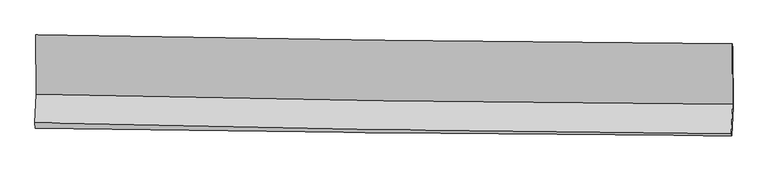
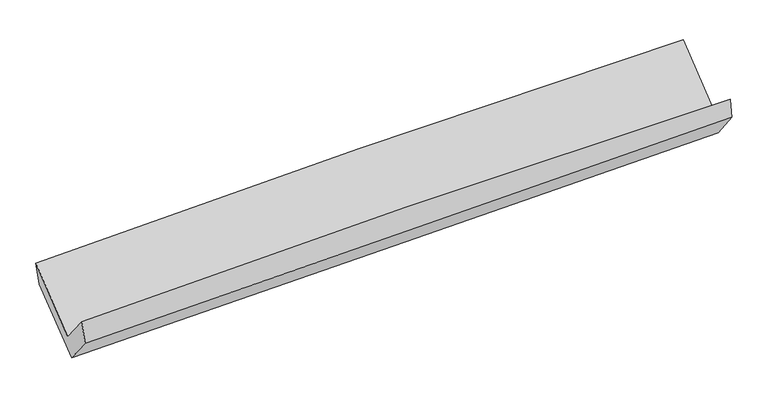
"""IFC4 building model written with IfcOpenShell, lengths in millimetres: proxy geometry."""

import ifcopenshell
import ifcopenshell.guid

model = None  # the IFC model being written
_history = None  # IfcOwnerHistory: only IFC2X3 demands one
_inside = {}  # id of a spatial element -> (the spatial element, [elements in it])
_under = {}  # id of a project, library or spatial element -> (it, [spatial elements below it])
_declared = {}  # id of a project -> (the project, [libraries it declares])
_typed = {}  # id of a type object -> (the type object, [elements of that type])
_made_of = {}  # id of a material, layer set ... -> (it, [elements and type objects made of it])


def new_model(schema):
    """Start an empty IFC model of exactly this schema.

    Asked for "IFC4X3", IfcOpenShell would pick the latest addendum, in which some entities
    have other attributes; the version numbers below select the first issue.
    IFC2X3 requires an IfcOwnerHistory on every rooted entity: one is made here for all.
    """
    global model, _history
    if schema == "IFC4X3":
        model = ifcopenshell.file(schema_version=(4, 3, 0, 0))
    else:
        model = ifcopenshell.file(schema=schema)
    _inside.clear()
    _under.clear()
    _declared.clear()
    _typed.clear()
    _made_of.clear()
    _history = None
    if model.schema == "IFC2X3":
        org = make("IfcOrganization", Name="unknown")
        user = make(
            "IfcPersonAndOrganization",
            ThePerson=make("IfcPerson", FamilyName="unknown"),
            TheOrganization=org,
        )
        app = make(
            "IfcApplication",
            ApplicationDeveloper=org,
            Version="unknown",
            ApplicationFullName="unknown",
            ApplicationIdentifier="unknown",
        )
        _history = make(
            "IfcOwnerHistory",
            OwningUser=user,
            OwningApplication=app,
            ChangeAction="ADDED",
            CreationDate=0,
        )
    return model


def make(cls, **values):
    """One entity of the class cls with the attributes given. An attribute that is None is left unset."""
    return model.create_entity(
        cls, **{name: value for name, value in values.items() if value is not None}
    )


def rooted(cls, **values):
    """An entity with a GlobalId (a new one), such as an element, a storey or a relation."""
    return make(cls, GlobalId=ifcopenshell.guid.new(), OwnerHistory=_history, **values)


def si_unit(unit_type, name, prefix=None):
    """IfcSIUnit, for example si_unit("LENGTHUNIT", "METRE", prefix="MILLI")."""
    return make("IfcSIUnit", UnitType=unit_type, Prefix=prefix, Name=name)


def assignment(units):
    """IfcUnitAssignment: the units of a project."""
    return None if units is None else make("IfcUnitAssignment", Units=units)


def point(xyz):
    """IfcCartesianPoint."""
    return None if xyz is None else make("IfcCartesianPoint", Coordinates=xyz)


def direction(xyz):
    """IfcDirection."""
    return None if xyz is None else make("IfcDirection", DirectionRatios=xyz)


def frame(location, z_axis=None, x_axis=None):
    """IfcAxis2Placement3D, a coordinate frame: its origin and axes. An axis left out is left unset."""
    return make(
        "IfcAxis2Placement3D",
        Location=point(location),
        Axis=direction(z_axis),
        RefDirection=direction(x_axis),
    )


def origin():
    """The frame at (0, 0, 0) with its axes left unset."""
    return frame((0.0, 0.0, 0.0))


def place(relative_to, where):
    """IfcLocalPlacement: puts the frame where relative to a parent placement (None: the world)."""
    return make(
        "IfcLocalPlacement", PlacementRelTo=relative_to, RelativePlacement=where
    )


def context(
    kind, dimensions, precision=None, world=None, true_north=None, identifier=None
):
    """IfcGeometricRepresentationContext, for example the 3D "Model" context."""
    return make(
        "IfcGeometricRepresentationContext",
        ContextIdentifier=identifier,
        ContextType=kind,
        CoordinateSpaceDimension=dimensions,
        Precision=precision,
        WorldCoordinateSystem=world,
        TrueNorth=true_north,
    )


def project(units=None, contexts=None):
    """IfcProject with its units and contexts."""
    return rooted(
        "IfcProject",
        Name="project",
        RepresentationContexts=contexts,
        UnitsInContext=assignment(units),
    )


def spatial(cls, under=None, at=None, **own):
    """A site, building, storey or space (cls), placed at a placement, below another one or the project."""
    s = rooted(cls, ObjectPlacement=at, **own)
    if under is not None:
        _under.setdefault(under.id(), (under, []))[1].append(s)
    return s


def shape(context_of_items, identifier, shape_type, items):
    """IfcShapeRepresentation: the items that make up one representation, for example the "Body"."""
    return make(
        "IfcShapeRepresentation",
        ContextOfItems=context_of_items,
        RepresentationIdentifier=identifier,
        RepresentationType=shape_type,
        Items=items,
    )


def source(mapping_origin, context_of_items, identifier, shape_type, items):
    """IfcRepresentationMap: a shape defined once, which mapped items show again and again."""
    return make(
        "IfcRepresentationMap",
        MappingOrigin=mapping_origin,
        MappedRepresentation=shape(context_of_items, identifier, shape_type, items),
    )


def transform(
    local_origin,
    x_axis=None,
    y_axis=None,
    z_axis=None,
    scale=None,
    scale2=None,
    scale3=None,
    uniform=True,
):
    """IfcCartesianTransformationOperator3D, or its non-uniform kind. x_axis, y_axis, z_axis: its Axis1, 2, 3."""
    if uniform:
        return make(
            "IfcCartesianTransformationOperator3D",
            Axis1=direction(x_axis),
            Axis2=direction(y_axis),
            LocalOrigin=point(local_origin),
            Scale=scale,
            Axis3=direction(z_axis),
        )
    return make(
        "IfcCartesianTransformationOperator3DnonUniform",
        Axis1=direction(x_axis),
        Axis2=direction(y_axis),
        LocalOrigin=point(local_origin),
        Scale=scale,
        Axis3=direction(z_axis),
        Scale2=scale2,
        Scale3=scale3,
    )


def mapped(mapping_source, mapping_target):
    """IfcMappedItem: shows the shape of a source again, moved by a transform."""
    return make(
        "IfcMappedItem", MappingSource=mapping_source, MappingTarget=mapping_target
    )


def made_of(thing, what):
    """Note that an element or type object is made of a material, layer set ...; save() writes the relation."""
    if what is not None:
        _made_of.setdefault(what.id(), (what, []))[1].append(thing)
    return thing


def element(
    cls,
    number,
    at=None,
    inside=None,
    cuts=None,
    type_object=None,
    material=None,
    context=None,
    identifier="Body",
    shape_type=None,
    held_by="IfcProductDefinitionShape",
    body=None,
    shapes=None,
    **own,
):
    """One element of the class cls, such as IfcWall. Its Tag is "e" and its number.

    at: its placement. inside: the storey or other place that contains it. cuts: it is an
    opening in that element (IfcRelVoidsElement). A single representation is given by context,
    identifier, shape_type and body (its items); several are given by shapes. held_by: the class
    of the entity that holds the representations. save() writes the other relations.
    """
    e = rooted(cls, Tag="e%d" % number, ObjectPlacement=at, **own)
    if body is not None:
        shapes = [shape(context, identifier, shape_type, body)]
    if shapes is not None:
        e.Representation = make(held_by, Representations=shapes)
    if inside is not None:
        _inside.setdefault(inside.id(), (inside, []))[1].append(e)
    if cuts is not None:
        rooted(
            "IfcRelVoidsElement", RelatingBuildingElement=cuts, RelatedOpeningElement=e
        )
    if type_object is not None:
        _typed.setdefault(type_object.id(), (type_object, []))[1].append(e)
    return made_of(e, material)


def aggregate(whole, parts):
    """IfcRelAggregates: a whole, such as a stair, and the parts it consists of."""
    return rooted("IfcRelAggregates", RelatingObject=whole, RelatedObjects=parts)


def save(model, path):
    """Write the relations noted so far, then the file.

    IfcRelAggregates (storeys below a building ...), IfcRelContainedInSpatialStructure (elements
    in a storey), IfcRelDefinesByType, IfcRelAssociatesMaterial and IfcRelDeclares: one each for
    every whole, place, type object, material and project.
    """
    for whole, parts in _under.values():
        aggregate(whole, parts)
    for where, things in _inside.values():
        rooted(
            "IfcRelContainedInSpatialStructure",
            RelatedElements=things,
            RelatingStructure=where,
        )
    for kind, things in _typed.values():
        rooted("IfcRelDefinesByType", RelatedObjects=things, RelatingType=kind)
    for what, things in _made_of.values():
        rooted("IfcRelAssociatesMaterial", RelatedObjects=things, RelatingMaterial=what)
    for by, libraries in _declared.values():
        rooted("IfcRelDeclares", RelatingContext=by, RelatedDefinitions=libraries)
    model.write(path)


def plane_surface(at):
    """IfcPlane: the flat surface through the origin of the frame at, square to its z axis."""
    return make("IfcPlane", Position=at)


def spline_curve(degree, points, multiplicities, knots, weights=None):
    """IfcBSplineCurveWithKnots; with weights, IfcRationalBSplineCurveWithKnots."""
    own = dict(
        Degree=degree,
        ControlPointsList=[point(p) for p in points],
        CurveForm="UNSPECIFIED",
        ClosedCurve=False,
        SelfIntersect=False,
        KnotMultiplicities=multiplicities,
        Knots=knots,
        KnotSpec="UNSPECIFIED",
    )
    if weights is None:
        return make("IfcBSplineCurveWithKnots", **own)
    return make("IfcRationalBSplineCurveWithKnots", WeightsData=weights, **own)


def spline_surface(u_degree, v_degree, points, u_multiplicities, v_multiplicities, u_knots, v_knots, weights=None):
    """IfcBSplineSurfaceWithKnots; with weights, IfcRationalBSplineSurfaceWithKnots. points: one row for each step in u."""
    own = dict(
        UDegree=u_degree,
        VDegree=v_degree,
        ControlPointsList=[[point(p) for p in row] for row in points],
        SurfaceForm="UNSPECIFIED",
        UClosed=False,
        VClosed=False,
        SelfIntersect=False,
        UMultiplicities=u_multiplicities,
        VMultiplicities=v_multiplicities,
        UKnots=u_knots,
        VKnots=v_knots,
        KnotSpec="UNSPECIFIED",
    )
    if weights is None:
        return make("IfcBSplineSurfaceWithKnots", **own)
    return make("IfcRationalBSplineSurfaceWithKnots", WeightsData=weights, **own)


def advanced_brep(points, edges, surfaces, faces):
    """IfcAdvancedBrep: a solid bounded by faces that lie on surfaces and meet in shared edges.

    An edge is (start, end): straight between two places in points (the first is 0);
    or (start, end, curve); or (start, end, curve, False) where it runs against its curve.
    A face is (place in surfaces, loops), or (place, loops, False) where it looks against
    its surface's normal. A loop lists edges by number (the first is 1), with a minus sign
    where the edge is run from its end to its start. The first loop is the outer one.
    """
    corners = [point(p) for p in points]
    vertices = [make("IfcVertexPoint", VertexGeometry=c) for c in corners]
    made = []
    for start, end, *more in edges:
        made.append(
            make(
                "IfcEdgeCurve",
                EdgeStart=vertices[start],
                EdgeEnd=vertices[end],
                EdgeGeometry=more[0] if more else make("IfcPolyline", Points=[corners[start], corners[end]]),
                SameSense=more[1] if len(more) > 1 else True,
            )
        )
    hull = []
    for where, loops, *sense in faces:
        bounds = []
        for j, loop in enumerate(loops):
            ring = [make("IfcOrientedEdge", EdgeElement=made[abs(k) - 1], Orientation=k > 0) for k in loop]
            bounds.append(
                make(
                    "IfcFaceOuterBound" if j == 0 else "IfcFaceBound",
                    Bound=make("IfcEdgeLoop", EdgeList=ring),
                    Orientation=True,
                )
            )
        hull.append(make("IfcAdvancedFace", Bounds=bounds, FaceSurface=surfaces[where], SameSense=sense[0] if sense else True))
    return make("IfcAdvancedBrep", Outer=make("IfcClosedShell", CfsFaces=hull))


def generic_models_e8cbcd6a(model_context):
    return source(origin(), model_context, "Body", "AdvancedBrep", [
        advanced_brep(
        [(-3010.0541283, -1162.8389636, 2150.6119512), (-3006.9722841, -1676.1815511, 1730.1907033), (3005.5427072, -1760.0085032, 1871.4765462), (3002.3172201, -1238.5924187, 2298.5064656), (-3017.8957627, -1922.7385387, 2035.1915274), (2994.2743004, -2014.3509663, 2186.108314), (-3013.9468715, -1967.3311965, 1848.2239633), (2998.2618208, -2032.1066869, 2013.6624825), (-3003.482833, -1731.1443647, 1556.0514354), (3009.0547227, -1788.4969827, 1712.3075654), (-3006.4443536, -1215.1044662, 1973.1024159), (3006.0385928, -1279.0592411, 2124.0195294)],
        [
            (0, 1),
            (1, 2, spline_curve(3, [(-3006.9722841, -1676.1815511, 1730.1907033), (-2009.064440123, -1697.84474886, 1778.393575121), (-1010.839642506, -1715.650917864, 1814.270935571), (993.327508559, -1743.648152843, 1861.541711094), (1999.274374763, -1753.78430118, 1872.759631393), (3005.5427072, -1760.0085032, 1871.4765462)], [4, 2, 4], [0.0, 9.832749955726372, 19.735253375337496])),
            (2, 3),
            (3, 0, spline_curve(3, [(3002.3172201, -1238.5924187, 2298.5064656), (1995.710368603, -1232.854559981, 2299.378962963), (989.606896152, -1223.638279106, 2287.401851412), (-1014.509820158, -1198.338296072, 2237.923291778), (-2012.530130299, -1182.303425072, 2200.602231452), (-3010.0541283, -1162.8389636, 2150.6119512)], [4, 2, 4], [0.0, 9.902503419611124, 19.735253375337496])),
            (1, 4),
            (4, 5, spline_curve(3, [(-3017.8957627, -1922.7385387, 2035.1915274), (-2020.14616355, -1947.973526778, 2087.812846072), (-1022.029309239, -1968.216114389, 2126.704153745), (982.022149583, -1998.824673339, 2177.20524133), (1987.961983009, -2009.119561927, 2188.619529232), (2994.2743004, -2014.3509663, 2186.108314)], [4, 2, 4], [0.0, 9.832939089284293, 19.735632984165562])),
            (5, 2),
            (4, 6),
            (6, 7, spline_curve(3, [(-3013.9468715, -1967.3311965, 1848.2239633), (-2015.370477147, -1982.404910026, 1876.444010183), (-1016.835567815, -1995.328272814, 1904.293164716), (987.234587239, -2016.950720463, 1959.444618492), (1992.769241815, -2025.61918782, 1986.741637375), (2998.2618208, -2032.1066869, 2013.6624825)], [4, 2, 4], [0.0, 9.832246275240236, 19.73424244125915])),
            (7, 5),
            (6, 8),
            (8, 9, spline_curve(3, [(-3003.482833, -1731.1443647, 1556.0514354), (-2004.904291095, -1746.169606413, 1584.211520619), (-1006.341092249, -1758.454439884, 1611.270788957), (997.838311408, -1777.610998205, 1663.371839121), (2003.454297794, -1784.443703835, 1688.397947793), (3009.0547227, -1788.4969827, 1712.3075654)], [4, 2, 4], [0.0, 9.832018202895824, 19.733784678626606])),
            (9, 7),
            (8, 10),
            (10, 11, spline_curve(3, [(-3006.4443536, -1215.1044662, 1973.1024159), (-2007.988253671, -1218.89416573, 1997.517553779), (-1009.491010828, -1226.087669463, 2022.255951483), (994.669385205, -1247.357463573, 2072.55705335), (2000.333124805, -1261.482217871, 2098.124360225), (3006.0385928, -1279.0592411, 2124.0195294)], [4, 2, 4], [0.0, 9.831888691867642, 19.733524737819852])),
            (11, 9),
            (10, 0),
            (3, 11),
        ],
        [
            spline_surface(3, 3, [[(-3010.0541283, -1162.8389636, 2150.6119512), (-2012.530130417, -1182.303424963, 2200.602231612), (-1014.509820081, -1198.33829595, 2237.923291709), (989.606896074, -1223.638279229, 2287.401851482), (1995.710368524, -1232.854559935, 2299.378962852), (3002.3172201, -1238.5924187, 2298.5064656)], [(-3009.026846902, -1333.953159434, 2010.471535237), (-2011.374900288, -1354.150532965, 2059.866012768), (-1013.286427547, -1370.775836565, 2096.705839674), (990.847100187, -1396.974903734, 2145.448471341), (1996.898370555, -1406.497807048, 2157.172519073), (3003.392382467, -1412.397780197, 2156.163159154)], [(-3007.999565498, -1505.067355266, 1870.331119263), (-2010.219670154, -1525.997640966, 1919.129793912), (-1012.063034954, -1543.213377265, 1955.488387641), (992.087304359, -1570.311528323, 2003.495091201), (1998.086372585, -1580.141054169, 2014.966075232), (3004.467544833, -1586.203141703, 2013.819852646)], [(-3006.9722841, -1676.1815511, 1730.1907033), (-2009.064440025, -1697.844748969, 1778.393575067), (-1010.83964242, -1715.65091788, 1814.270935606), (993.327508472, -1743.648152828, 1861.541711059), (1999.274374616, -1753.784301282, 1872.759631453), (3005.5427072, -1760.0085032, 1871.4765462)]], [4, 4], [4, 2, 4], [0.0, 2.1995273021180637], [0.0, 9.832749955726372, 19.735253375337496]),
            spline_surface(3, 3, [[(-3006.9722841, -1676.1815511, 1730.1907033), (-2009.064440025, -1697.844748969, 1778.393575067), (-1010.83964242, -1715.65091788, 1814.270935606), (993.327508472, -1743.648152828, 1861.541711059), (1999.274374616, -1753.784301282, 1872.759631453), (3005.5427072, -1760.0085032, 1871.4765462)], [(-3010.613443616, -1758.367213629, 1831.857644671), (-2012.758347823, -1781.221008211, 1881.533332043), (-1014.569531308, -1799.8393167, 1918.41534162), (989.559055485, -1828.706993071, 1966.76288782), (1995.503577356, -1838.896054781, 1978.04626402), (3001.786571596, -1844.789324228, 1976.353802106)], [(-3014.254603184, -1840.552876171, 1933.524586029), (-2016.452255674, -1864.597267467, 1984.673089006), (-1018.299420238, -1884.027715435, 2022.559747677), (985.790602456, -1913.76583323, 2071.984064623), (1991.732780109, -1924.007808296, 2083.33289667), (2998.030436004, -1929.570145272, 2081.231058094)], [(-3017.8957627, -1922.7385387, 2035.1915274), (-2020.146163471, -1947.973526709, 2087.812845982), (-1022.029309126, -1968.216114255, 2126.704153691), (982.022149468, -1998.824673474, 2177.205241384), (1987.961982849, -2009.119561796, 2188.619529238), (2994.2743004, -2014.3509663, 2186.108314)]], [4, 4], [4, 2, 4], [0.0, 1.3254557140110967], [0.0, 9.832939089284293, 19.735632984165562]),
            spline_surface(3, 3, [[(-3017.8957627, -1922.7385387, 2035.1915274), (-2020.146163471, -1947.973526709, 2087.812845982), (-1022.029309126, -1968.216114255, 2126.704153691), (982.022149468, -1998.824673474, 2177.205241384), (1987.961982849, -2009.119561796, 2188.619529238), (2994.2743004, -2014.3509663, 2186.108314)], [(-3016.579465629, -1937.602757979, 1972.869006036), (-2018.554268023, -1959.450654528, 2017.356567408), (-1020.29806198, -1977.253500455, 2052.567157323), (983.759628674, -2004.866689103, 2104.6183671), (1989.564402495, -2014.619437134, 2121.326898596), (2995.603473883, -2020.269539852, 2128.626370179)], [(-3015.263168571, -1952.466977221, 1910.546484664), (-2016.962372588, -1970.927782309, 1946.900288827), (-1018.56681482, -1986.290886685, 1978.430160999), (985.497107894, -2010.908704762, 2032.031492861), (1991.166822092, -2020.119312416, 2054.034267917), (2996.932647317, -2026.188113348, 2071.144426321)], [(-3013.9468715, -1967.3311965, 1848.2239633), (-2015.370477139, -1982.404910128, 1876.444010253), (-1016.835567675, -1995.328272885, 1904.293164631), (987.234587099, -2016.950720391, 1959.444618578), (1992.769241738, -2025.619187754, 1986.741637276), (2998.2618208, -2032.1066869, 2013.6624825)]], [4, 4], [4, 2, 4], [0.0, 0.7260045090283019], [0.0, 9.832246275240236, 19.73424244125915]),
            spline_surface(3, 3, [[(-3013.9468715, -1967.3311965, 1848.2239633), (-2015.370477139, -1982.404910128, 1876.444010253), (-1016.835567675, -1995.328272885, 1904.293164631), (987.234587099, -2016.950720391, 1959.444618578), (1992.769241738, -2025.619187754, 1986.741637276), (2998.2618208, -2032.1066869, 2013.6624825)], [(-3010.458858695, -1888.602252576, 1750.833120666), (-2011.881748501, -1903.65980893, 1779.033180427), (-1013.33740922, -1916.370328567, 1806.619039379), (990.769161867, -1937.170812942, 1860.753692162), (1996.330927076, -1945.227359822, 1887.293740823), (3001.859454764, -1950.903452163, 1913.210843478)], [(-3006.970845805, -1809.873308624, 1653.442278034), (-2008.393019779, -1824.914707705, 1681.622350603), (-1009.839250733, -1837.412384305, 1708.944914065), (994.303736669, -1857.39090555, 1762.062765683), (1999.892612422, -1864.835531902, 1787.845844337), (3005.457088736, -1869.700217437, 1812.759204422)], [(-3003.482833, -1731.1443647, 1556.0514354), (-2004.904291141, -1746.169606507, 1584.211520778), (-1006.341092278, -1758.454439987, 1611.270788813), (997.838311437, -1777.610998102, 1663.371839267), (2003.45429776, -1784.44370397, 1688.397947885), (3009.0547227, -1788.4969827, 1712.3075654)]], [4, 4], [4, 2, 4], [0.0, 1.24315233271704], [0.0, 9.832018202895824, 19.733784678626606]),
            spline_surface(3, 3, [[(-3003.482833, -1731.1443647, 1556.0514354), (-2004.904291141, -1746.169606507, 1584.211520778), (-1006.341092278, -1758.454439987, 1611.270788813), (997.838311437, -1777.610998102, 1663.371839267), (2003.45429776, -1784.44370397, 1688.397947885), (3009.0547227, -1788.4969827, 1712.3075654)], [(-3004.470006512, -1559.131065193, 1695.068428898), (-2005.93227867, -1570.411126223, 1721.980198476), (-1007.391065165, -1580.998849865, 1748.265843046), (996.782002752, -1600.859819899, 1799.766910621), (2002.413906724, -1610.123208596, 1824.973418644), (3008.049346058, -1618.684402167, 1849.544886716)], [(-3005.457180088, -1387.117765707, 1834.085422402), (-2006.960266261, -1394.65264596, 1859.748876179), (-1008.441038084, -1403.543259704, 1885.260897274), (995.725694035, -1424.108641657, 1936.161981972), (2001.373515713, -1435.802713221, 1961.548889455), (3007.043969442, -1448.871821633, 1986.782208084)], [(-3006.4443536, -1215.1044662, 1973.1024159), (-2007.988253789, -1218.894165675, 1997.517553878), (-1009.491010971, -1226.087669582, 2022.255951507), (994.66938535, -1247.357463454, 2072.557053326), (2000.333124677, -1261.482217847, 2098.124360215), (3006.0385928, -1279.0592411, 2124.0195294)]], [4, 4], [4, 2, 4], [0.0, 2.201971485116434], [0.0, 9.831888691867642, 19.733524737819852]),
            spline_surface(3, 3, [[(-3006.4443536, -1215.1044662, 1973.1024159), (-2007.988253789, -1218.894165675, 1997.517553878), (-1009.491010971, -1226.087669582, 2022.255951507), (994.66938535, -1247.357463454, 2072.557053326), (2000.333124677, -1261.482217847, 2098.124360215), (3006.0385928, -1279.0592411, 2124.0195294)], [(-3007.647611847, -1197.682631989, 2032.272260991), (-2009.502212678, -1206.697252094, 2065.212446447), (-1011.16394733, -1216.837878387, 2094.145064915), (992.981888935, -1239.451068728, 2144.171986052), (1998.792205959, -1251.939665202, 2165.209227761), (3004.798135233, -1265.570300293, 2182.181841467)], [(-3008.850870053, -1180.260797811, 2091.442106109), (-2011.016171528, -1194.500338544, 2132.907339043), (-1012.836883722, -1207.588087145, 2166.0341783), (991.294392488, -1231.544673955, 2215.786918756), (1997.251287242, -1242.397112579, 2232.294095305), (3003.557677667, -1252.081359507, 2240.344153533)], [(-3010.0541283, -1162.8389636, 2150.6119512), (-2012.530130417, -1182.303424963, 2200.602231612), (-1014.509820081, -1198.33829595, 2237.923291709), (989.606896074, -1223.638279229, 2287.401851482), (1995.710368524, -1232.854559935, 2299.378962852), (3002.3172201, -1238.5924187, 2298.5064656)]], [4, 4], [4, 2, 4], [0.0, 0.7114254173283522], [0.0, 9.831961048333431, 19.733669964047728]),
            plane_surface(frame((3002.5815607, -1685.4357998, 2034.3468172), z_axis=(0.9996017456539765, -0.01392030997615196, 0.02454740425566195), x_axis=(-0.004604683791711343, 0.7777515455388765, 0.6285549540804427))),
            plane_surface(frame((-3009.7993722, -1612.5565135, 1882.2286661), z_axis=(-0.9996023862460345, 0.014030193777421339, -0.024458599179059883), x_axis=(0.01950393525342884, -0.2823951777483429, -0.9590998697185357))),
        ],
        [
            (0, [[1, 2, 3, 4]]),
            (1, [[5, 6, 7, -2]]),
            (2, [[8, 9, 10, -6]]),
            (3, [[11, 12, 13, -9]]),
            (4, [[14, 15, 16, -12]]),
            (5, [[17, -4, 18, -15]]),
            (6, [[-16, -18, -3, -7, -10, -13]]),
            (7, [[-17, -14, -11, -8, -5, -1]]),
        ],
    ),
    ])


if __name__ == "__main__":
    model = new_model("IFC4")
    model_context = context("Model", 3, world=origin())
    ifc_project = project(units=[si_unit("LENGTHUNIT", "METRE", prefix="MILLI")], contexts=[model_context])
    site = spatial("IfcSite", under=ifc_project)
    building = spatial("IfcBuilding", under=site)
    placement = place(None, origin())
    generic_models_shape = generic_models_e8cbcd6a(model_context)
    element("IfcBuildingElementProxy", 1, Name="Generic Models", at=placement, inside=building, context=model_context, shape_type="MappedRepresentation", body=[
        mapped(generic_models_shape, transform((0.0, 0.0, 0.0), x_axis=(1.0, 0.0, 0.0), y_axis=(0.0, 1.0, 0.0), z_axis=(0.0, 0.0, 1.0))),
    ])
    save(model, "model.ifc")
